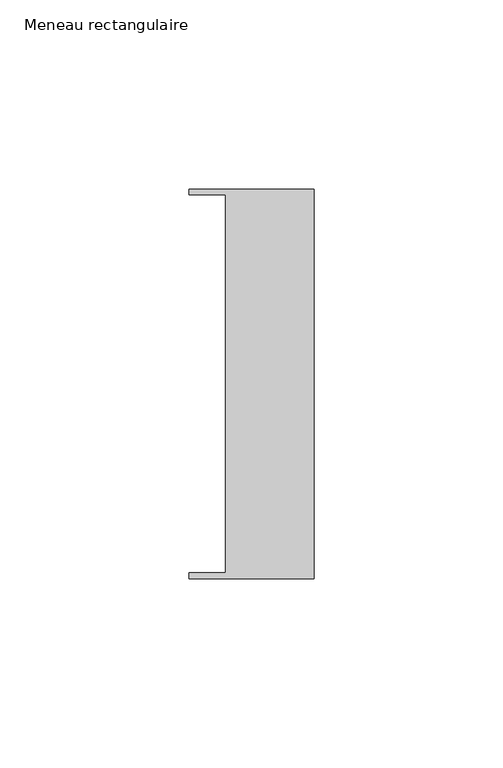
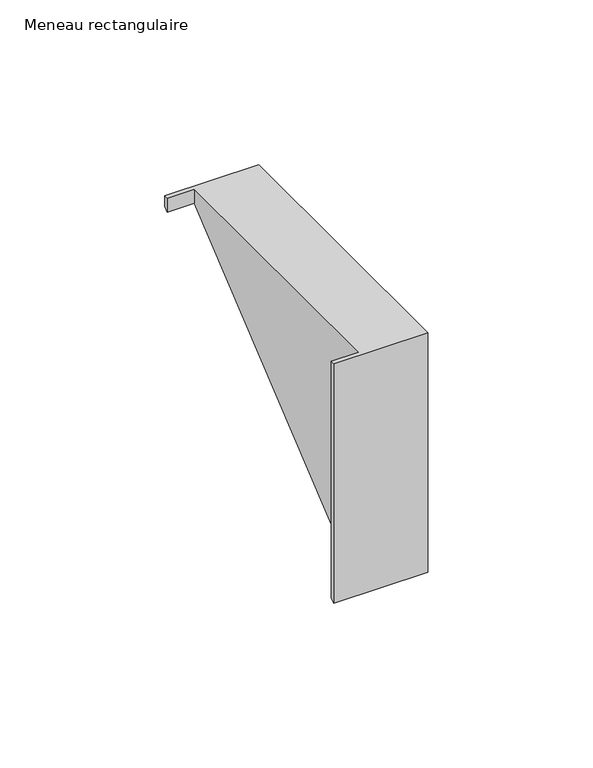
"""IFC4 building model written with IfcOpenShell, lengths in millimetres: member geometry, Meneau rectangulaire."""

import ifcopenshell
import ifcopenshell.guid

model = None  # the IFC model being written
_history = None  # IfcOwnerHistory: only IFC2X3 demands one
_inside = {}  # id of a spatial element -> (the spatial element, [elements in it])
_under = {}  # id of a project, library or spatial element -> (it, [spatial elements below it])
_declared = {}  # id of a project -> (the project, [libraries it declares])
_typed = {}  # id of a type object -> (the type object, [elements of that type])
_made_of = {}  # id of a material, layer set ... -> (it, [elements and type objects made of it])


def new_model(schema):
    """Start an empty IFC model of exactly this schema.

    Asked for "IFC4X3", IfcOpenShell would pick the latest addendum, in which some entities
    have other attributes; the version numbers below select the first issue.
    IFC2X3 requires an IfcOwnerHistory on every rooted entity: one is made here for all.
    """
    global model, _history
    if schema == "IFC4X3":
        model = ifcopenshell.file(schema_version=(4, 3, 0, 0))
    else:
        model = ifcopenshell.file(schema=schema)
    _inside.clear()
    _under.clear()
    _declared.clear()
    _typed.clear()
    _made_of.clear()
    _history = None
    if model.schema == "IFC2X3":
        org = make("IfcOrganization", Name="unknown")
        user = make(
            "IfcPersonAndOrganization",
            ThePerson=make("IfcPerson", FamilyName="unknown"),
            TheOrganization=org,
        )
        app = make(
            "IfcApplication",
            ApplicationDeveloper=org,
            Version="unknown",
            ApplicationFullName="unknown",
            ApplicationIdentifier="unknown",
        )
        _history = make(
            "IfcOwnerHistory",
            OwningUser=user,
            OwningApplication=app,
            ChangeAction="ADDED",
            CreationDate=0,
        )
    return model


def make(cls, **values):
    """One entity of the class cls with the attributes given. An attribute that is None is left unset."""
    return model.create_entity(
        cls, **{name: value for name, value in values.items() if value is not None}
    )


def rooted(cls, **values):
    """An entity with a GlobalId (a new one), such as an element, a storey or a relation."""
    return make(cls, GlobalId=ifcopenshell.guid.new(), OwnerHistory=_history, **values)


def si_unit(unit_type, name, prefix=None):
    """IfcSIUnit, for example si_unit("LENGTHUNIT", "METRE", prefix="MILLI")."""
    return make("IfcSIUnit", UnitType=unit_type, Prefix=prefix, Name=name)


def assignment(units):
    """IfcUnitAssignment: the units of a project."""
    return None if units is None else make("IfcUnitAssignment", Units=units)


def point(xyz):
    """IfcCartesianPoint."""
    return None if xyz is None else make("IfcCartesianPoint", Coordinates=xyz)


def direction(xyz):
    """IfcDirection."""
    return None if xyz is None else make("IfcDirection", DirectionRatios=xyz)


def frame(location, z_axis=None, x_axis=None):
    """IfcAxis2Placement3D, a coordinate frame: its origin and axes. An axis left out is left unset."""
    return make(
        "IfcAxis2Placement3D",
        Location=point(location),
        Axis=direction(z_axis),
        RefDirection=direction(x_axis),
    )


def origin():
    """The frame at (0, 0, 0) with its axes left unset."""
    return frame((0.0, 0.0, 0.0))


def place(relative_to, where):
    """IfcLocalPlacement: puts the frame where relative to a parent placement (None: the world)."""
    return make(
        "IfcLocalPlacement", PlacementRelTo=relative_to, RelativePlacement=where
    )


def context(
    kind, dimensions, precision=None, world=None, true_north=None, identifier=None
):
    """IfcGeometricRepresentationContext, for example the 3D "Model" context."""
    return make(
        "IfcGeometricRepresentationContext",
        ContextIdentifier=identifier,
        ContextType=kind,
        CoordinateSpaceDimension=dimensions,
        Precision=precision,
        WorldCoordinateSystem=world,
        TrueNorth=true_north,
    )


def project(units=None, contexts=None):
    """IfcProject with its units and contexts."""
    return rooted(
        "IfcProject",
        Name="project",
        RepresentationContexts=contexts,
        UnitsInContext=assignment(units),
    )


def spatial(cls, under=None, at=None, **own):
    """A site, building, storey or space (cls), placed at a placement, below another one or the project."""
    s = rooted(cls, ObjectPlacement=at, **own)
    if under is not None:
        _under.setdefault(under.id(), (under, []))[1].append(s)
    return s


def faces_of(points, faces, orient=None, outer=None):
    """IfcFace entities. A face is a list of loops; a loop is a list of indices into points, from 0.

    orient and outer hold one flag for each loop. By default every Orientation is true, the
    first loop of a face is its IfcFaceOuterBound and the others are IfcFaceBound.
    """
    made = []
    for i, loops in enumerate(faces):
        bounds = []
        for j, loop in enumerate(loops):
            is_outer = j == 0 if outer is None else outer[i][j]
            bounds.append(
                make(
                    "IfcFaceOuterBound" if is_outer else "IfcFaceBound",
                    Bound=make("IfcPolyLoop", Polygon=[points[k] for k in loop]),
                    Orientation=True if orient is None else orient[i][j],
                )
            )
        made.append(make("IfcFace", Bounds=bounds))
    return made


def faceted_brep(points, faces, orient=None, outer=None, voids=None):
    """IfcFacetedBrep: a solid bounded by flat faces; with voids (closed shells), ...WithVoids."""
    shared = [point(p) for p in points]
    hull = make("IfcClosedShell", CfsFaces=faces_of(shared, faces, orient, outer))
    if voids is None:
        return make("IfcFacetedBrep", Outer=hull)
    return make(
        "IfcFacetedBrepWithVoids",
        Outer=hull,
        Voids=[
            make(cls, CfsFaces=faces_of(shared, fs, o, b)) for cls, fs, o, b in voids
        ],
    )


def shape(context_of_items, identifier, shape_type, items):
    """IfcShapeRepresentation: the items that make up one representation, for example the "Body"."""
    return make(
        "IfcShapeRepresentation",
        ContextOfItems=context_of_items,
        RepresentationIdentifier=identifier,
        RepresentationType=shape_type,
        Items=items,
    )


def source(mapping_origin, context_of_items, identifier, shape_type, items):
    """IfcRepresentationMap: a shape defined once, which mapped items show again and again."""
    return make(
        "IfcRepresentationMap",
        MappingOrigin=mapping_origin,
        MappedRepresentation=shape(context_of_items, identifier, shape_type, items),
    )


def transform(
    local_origin,
    x_axis=None,
    y_axis=None,
    z_axis=None,
    scale=None,
    scale2=None,
    scale3=None,
    uniform=True,
):
    """IfcCartesianTransformationOperator3D, or its non-uniform kind. x_axis, y_axis, z_axis: its Axis1, 2, 3."""
    if uniform:
        return make(
            "IfcCartesianTransformationOperator3D",
            Axis1=direction(x_axis),
            Axis2=direction(y_axis),
            LocalOrigin=point(local_origin),
            Scale=scale,
            Axis3=direction(z_axis),
        )
    return make(
        "IfcCartesianTransformationOperator3DnonUniform",
        Axis1=direction(x_axis),
        Axis2=direction(y_axis),
        LocalOrigin=point(local_origin),
        Scale=scale,
        Axis3=direction(z_axis),
        Scale2=scale2,
        Scale3=scale3,
    )


def mapped(mapping_source, mapping_target):
    """IfcMappedItem: shows the shape of a source again, moved by a transform."""
    return make(
        "IfcMappedItem", MappingSource=mapping_source, MappingTarget=mapping_target
    )


def made_of(thing, what):
    """Note that an element or type object is made of a material, layer set ...; save() writes the relation."""
    if what is not None:
        _made_of.setdefault(what.id(), (what, []))[1].append(thing)
    return thing


def element(
    cls,
    number,
    at=None,
    inside=None,
    cuts=None,
    type_object=None,
    material=None,
    context=None,
    identifier="Body",
    shape_type=None,
    held_by="IfcProductDefinitionShape",
    body=None,
    shapes=None,
    **own,
):
    """One element of the class cls, such as IfcWall. Its Tag is "e" and its number.

    at: its placement. inside: the storey or other place that contains it. cuts: it is an
    opening in that element (IfcRelVoidsElement). A single representation is given by context,
    identifier, shape_type and body (its items); several are given by shapes. held_by: the class
    of the entity that holds the representations. save() writes the other relations.
    """
    e = rooted(cls, Tag="e%d" % number, ObjectPlacement=at, **own)
    if body is not None:
        shapes = [shape(context, identifier, shape_type, body)]
    if shapes is not None:
        e.Representation = make(held_by, Representations=shapes)
    if inside is not None:
        _inside.setdefault(inside.id(), (inside, []))[1].append(e)
    if cuts is not None:
        rooted(
            "IfcRelVoidsElement", RelatingBuildingElement=cuts, RelatedOpeningElement=e
        )
    if type_object is not None:
        _typed.setdefault(type_object.id(), (type_object, []))[1].append(e)
    return made_of(e, material)


def aggregate(whole, parts):
    """IfcRelAggregates: a whole, such as a stair, and the parts it consists of."""
    return rooted("IfcRelAggregates", RelatingObject=whole, RelatedObjects=parts)


def save(model, path):
    """Write the relations noted so far, then the file.

    IfcRelAggregates (storeys below a building ...), IfcRelContainedInSpatialStructure (elements
    in a storey), IfcRelDefinesByType, IfcRelAssociatesMaterial and IfcRelDeclares: one each for
    every whole, place, type object, material and project.
    """
    for whole, parts in _under.values():
        aggregate(whole, parts)
    for where, things in _inside.values():
        rooted(
            "IfcRelContainedInSpatialStructure",
            RelatedElements=things,
            RelatingStructure=where,
        )
    for kind, things in _typed.values():
        rooted("IfcRelDefinesByType", RelatedObjects=things, RelatingType=kind)
    for what, things in _made_of.values():
        rooted("IfcRelAssociatesMaterial", RelatedObjects=things, RelatingMaterial=what)
    for by, libraries in _declared.values():
        rooted("IfcRelDeclares", RelatingContext=by, RelatedDefinitions=libraries)
    model.write(path)


def meneau_rectangulaire_68842735(model_context):
    return source(origin(), model_context, "Body", "Brep", [
        faceted_brep([(-33.0, 51.4622428, 0.0), (-33.0, 49.9614402, 0.0), (-23.4, 49.9614402, 0.0), (-23.4, -49.9505712, 0.0), (-33.0, -49.9505712, 0.0), (-33.0, -51.4712299, 0.0), (0.0, -51.4712299, 0.0), (0.0, 51.4622428, 0.0), (-33.0, 51.4622428, -3.9802881), (-33.0, 49.9614402, -5.2174543), (-23.4, 49.9614402, -5.2174543), (-23.4, -49.9505712, -87.5785607), (-33.0, -49.9505712, -87.5785607), (-33.0, -51.4712299, -88.832095), (0.0, -51.4712299, -88.832095), (0.0, 51.4622428, -3.9802881)], [[[0, 1, 2, 3, 4, 5, 6, 7]], [[1, 0, 8, 9]], [[2, 1, 9, 10]], [[3, 2, 10, 11]], [[4, 3, 11, 12]], [[5, 4, 12, 13]], [[6, 5, 13, 14]], [[7, 6, 14, 15]], [[0, 7, 15, 8]], [[8, 15, 14, 13, 12, 11, 10, 9]]]),
    ])


if __name__ == "__main__":
    model = new_model("IFC4")
    model_context = context("Model", 3, world=origin())
    ifc_project = project(units=[si_unit("LENGTHUNIT", "METRE", prefix="MILLI")], contexts=[model_context])
    site = spatial("IfcSite", under=ifc_project)
    building = spatial("IfcBuilding", under=site)
    placement = place(None, origin())
    meneau_rectangulaire_shape = meneau_rectangulaire_68842735(model_context)
    element("IfcMember", 1, ObjectType="Meneau rectangulaire", at=placement, inside=building, context=model_context, shape_type="MappedRepresentation", body=[
        mapped(meneau_rectangulaire_shape, transform((0.0, 0.0, 0.0), x_axis=(1.0, 0.0, 0.0), y_axis=(0.0, 1.0, 0.0), z_axis=(0.0, 0.0, 1.0))),
    ])
    save(model, "model.ifc")
